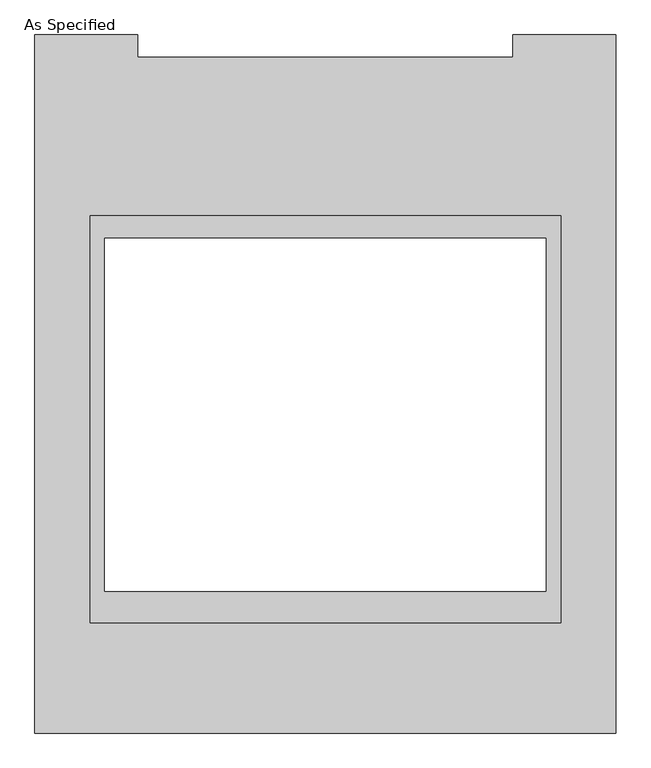
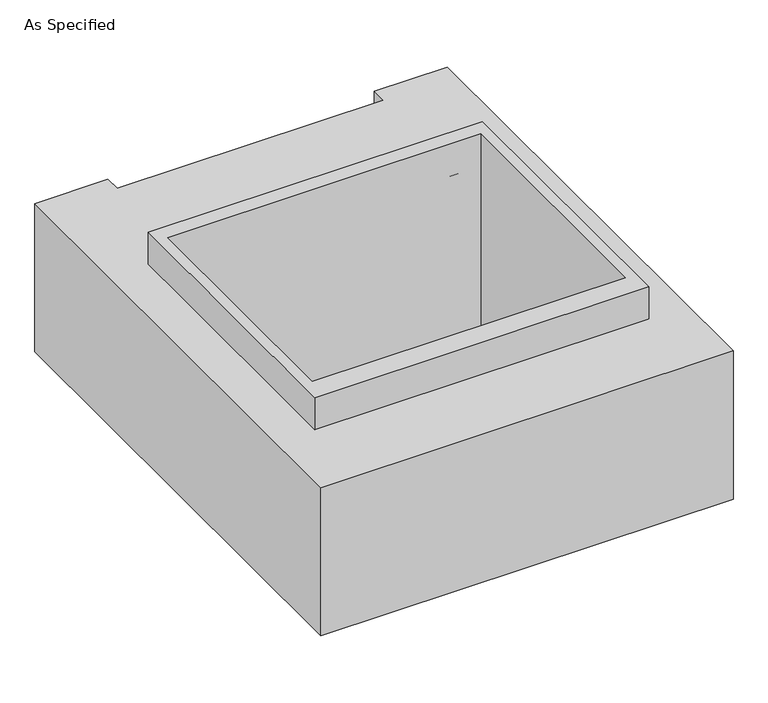
"""IFC4 building model written with IfcOpenShell, lengths in millimetres: proxy geometry, As Specified."""

from ifc_helpers import new_model, si_unit, frame, origin, place, context, project, spatial, polyline, outline, extrude, source, transform, mapped, element, save


def as_specified_8fd57188(model_context):
    return source(origin(), model_context, "Body", "SweptSolid", [
        extrude(outline(polyline([(812.8, 617.934375), (812.8, -785.415625), (-812.8, -785.415625), (-812.8, 617.934375), (812.8, 617.934375)]), holes=[polyline([(-762.0, 541.7740625), (-762.0, -677.4259375), (762.0, -677.4259375), (762.0, 541.7740625), (-762.0, 541.7740625)])]), frame((0.0, 0.0, -952.5), z_axis=(0.0, 0.0, 1.0), x_axis=(1.0, 0.0, 0.0)), (0.0, 0.0, 1.0), 1092.2),
        extrude(outline(polyline([(647.7, 1166.415625), (647.7, 1242.774375), (1003.3, 1242.774375), (1003.3, -1166.415625), (-1003.3, -1166.415625), (-1003.3, 1242.774375), (-647.7, 1242.774375), (-647.7, 1166.415625), (647.7, 1166.415625)]), holes=[polyline([(762.0, -677.4259375), (762.0, 541.7740625), (-762.0, 541.7740625), (-762.0, -677.4259375), (762.0, -677.4259375)])]), frame((0.0, 0.0, -787.4), z_axis=(0.0, 0.0, 1.0), x_axis=(1.0, 0.0, 0.0)), (0.0, 0.0, 1.0), 762.0),
    ])


if __name__ == "__main__":
    model = new_model("IFC4")
    model_context = context("Model", 3, world=origin())
    ifc_project = project(units=[si_unit("LENGTHUNIT", "METRE", prefix="MILLI")], contexts=[model_context])
    site = spatial("IfcSite", under=ifc_project)
    building = spatial("IfcBuilding", under=site)
    placement = place(None, origin())
    as_specified_shape = as_specified_8fd57188(model_context)
    element("IfcBuildingElementProxy", 1, Name="As Specified", ObjectType="As Specified", at=placement, inside=building, context=model_context, shape_type="MappedRepresentation", body=[
        mapped(as_specified_shape, transform((0.0, 0.0, 0.0), x_axis=(1.0, 0.0, 0.0), y_axis=(0.0, 1.0, 0.0), z_axis=(0.0, 0.0, 1.0))),
    ])
    save(model, "model.ifc")
